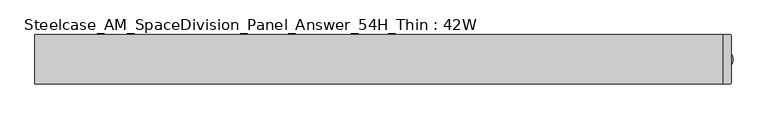
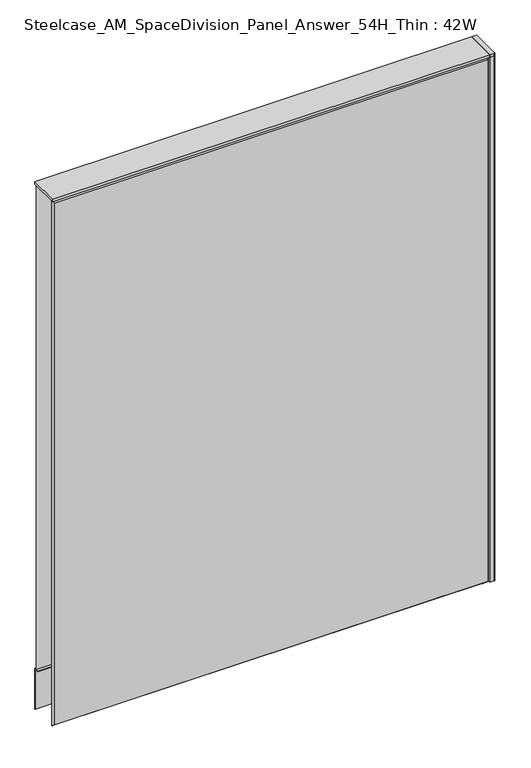
"""IFC4 building model written with IfcOpenShell, lengths in millimetres: furniture geometry, Steelcase_AM_SpaceDivision_Panel_Answer_54H_Thin : 42W."""

from ifc_helpers import new_model, si_unit, point, frame, frame_2d, origin, place, context, project, spatial, polyline, circle_curve, trimmed, segment, composite_curve, outline, extrude, faceted_brep, source, transform, mapped, element, save


def steelcase_am_spacedivision_panel_answer_54h_thin_42w_b88bb9e0(model_context):
    return source(origin(), model_context, "Body", "SolidModel", [
        extrude(outline(polyline([(37.3075215, 119.8575157), (25.4000011, 119.8575157), (25.4000011, 120.65), (38.1000194, 120.65), (38.1000194, 15.494), (37.3075215, 15.494), (37.3075215, 119.8575157)])), frame((-533.4, 0.0, 0.0), z_axis=(1.0, 0.0, 0.0), x_axis=(0.0, 1.0, 0.0)), (0.0, 0.0, 1.0), 1066.8),
        extrude(outline(composite_curve([segment(trimmed(circle_curve(frame_2d((533.4, 1.94e-05)), 5.08), [point((538.48, 1.94e-05))], [point((528.32, 1.94e-05))], False, "CARTESIAN"), True, "CONTINUOUS"), segment(trimmed(circle_curve(frame_2d((533.4, 1.94e-05)), 5.08), [point((528.32, 1.94e-05))], [point((538.48, 1.94e-05))], False, "CARTESIAN"), True, "CONTINUOUS")], self_intersect=False)), frame((0.0, 0.0, 5.0799671), z_axis=(0.0, 0.0, 1.0), x_axis=(1.0, 0.0, 0.0)), (0.0, 0.0, 1.0), 10.414),
        extrude(outline(composite_curve([segment(trimmed(circle_curve(frame_2d((533.4, 1.94e-05)), 15.24), [point((548.64, 1.94e-05))], [point((518.16, 1.94e-05))], False, "CARTESIAN"), True, "CONTINUOUS"), segment(trimmed(circle_curve(frame_2d((533.4, 1.94e-05)), 15.24), [point((518.16, 1.94e-05))], [point((548.64, 1.94e-05))], False, "CARTESIAN"), True, "CONTINUOUS")], self_intersect=False)), frame((0.0, 0.0, -3.29e-05), z_axis=(0.0, 0.0, 1.0), x_axis=(1.0, 0.0, 0.0)), (0.0, 0.0, 1.0), 5.08),
        extrude(outline(composite_curve([segment(trimmed(circle_curve(frame_2d((544.322, -36.322)), 1.778), [point((546.1, -36.322))], [point((544.322, -38.1))], False, "CARTESIAN"), True, "CONTINUOUS"), segment(polyline([(544.322, -38.1), (533.4, -38.1), (533.4, 38.1), (544.322, 38.1)]), True, "CONTINUOUS"), segment(trimmed(circle_curve(frame_2d((544.322, 36.322)), 1.778), [point((544.322, 38.1))], [point((546.1, 36.322))], False, "CARTESIAN"), True, "CONTINUOUS"), segment(polyline([(546.1, 36.322), (546.1, -36.322)]), True, "CONTINUOUS")], self_intersect=False)), frame((0.0, 0.0, 1371.5999671), z_axis=(0.0, 0.0, 1.0), x_axis=(1.0, 0.0, 0.0)), (0.0, 0.0, 1.0), 6.35),
        extrude(outline(composite_curve([segment(trimmed(circle_curve(frame_2d((544.322, -36.322)), 1.778), [point((546.1, -36.322))], [point((544.322, -38.1))], False, "CARTESIAN"), True, "CONTINUOUS"), segment(polyline([(544.322, -38.1), (533.4, -38.1), (533.4, 38.1), (544.322, 38.1)]), True, "CONTINUOUS"), segment(trimmed(circle_curve(frame_2d((544.322, 36.322)), 1.778), [point((544.322, 38.1))], [point((546.1, 36.322))], False, "CARTESIAN"), True, "CONTINUOUS"), segment(polyline([(546.1, 36.322), (546.1, -36.322)]), True, "CONTINUOUS")], self_intersect=False)), frame((0.0, 0.0, 15.4939671), z_axis=(0.0, 0.0, 1.0), x_axis=(1.0, 0.0, 0.0)), (0.0, 0.0, 1.0), 1356.106),
        faceted_brep([(-528.574, -38.0960552, 1366.774), (-528.574, -38.0960552, 20.32), (528.574, -38.0960552, 20.32), (528.574, -38.0960552, 1366.774), (-533.4, -33.2700552, 1371.6), (533.4, -33.2700552, 1371.6), (533.4, -33.2700552, 15.494), (-533.4, -33.2700552, 15.494)], [[[0, 1, 2, 3]], [[4, 5, 6, 7]], [[4, 0, 3, 5]], [[5, 3, 2, 6]], [[6, 2, 1, 7]], [[7, 1, 0, 4]]]),
        faceted_brep([(528.574, 38.0960552, 1366.774), (528.574, 38.0960552, 125.476), (-528.574, 38.0960552, 125.476), (-528.574, 38.0960552, 1366.774), (533.4, 33.2700552, 1371.6), (-533.4, 33.2700552, 1371.6), (-533.4, 33.2700552, 120.65), (533.4, 33.2700552, 120.65)], [[[0, 1, 2, 3]], [[4, 5, 6, 7]], [[4, 0, 3, 5]], [[5, 3, 2, 6]], [[6, 2, 1, 7]], [[7, 1, 0, 4]]]),
        extrude(outline(polyline([(533.4, -38.1000194), (-533.4, -38.1000194), (-533.4, 38.1000194), (533.4, 38.1000194), (533.4, -38.1000194)])), frame((0.0, 0.0, 1371.6), z_axis=(0.0, 0.0, 1.0), x_axis=(1.0, 0.0, 0.0)), (0.0, 0.0, 1.0), 6.35),
    ])


if __name__ == "__main__":
    model = new_model("IFC4")
    model_context = context("Model", 3, world=origin())
    ifc_project = project(units=[si_unit("LENGTHUNIT", "METRE", prefix="MILLI")], contexts=[model_context])
    site = spatial("IfcSite", under=ifc_project)
    building = spatial("IfcBuilding", under=site)
    placement = place(None, origin())
    steelcase_am_spacedivision_panel_answer_54h_thin_42w_shape = steelcase_am_spacedivision_panel_answer_54h_thin_42w_b88bb9e0(model_context)
    element("IfcFurniture", 1, ObjectType="Steelcase_AM_SpaceDivision_Panel_Answer_54H_Thin : 42W", at=placement, inside=building, context=model_context, shape_type="MappedRepresentation", body=[
        mapped(steelcase_am_spacedivision_panel_answer_54h_thin_42w_shape, transform((0.0, 0.0, 0.0), x_axis=(1.0, 0.0, 0.0), y_axis=(0.0, 1.0, 0.0), z_axis=(0.0, 0.0, 1.0))),
    ])
    save(model, "model.ifc")
